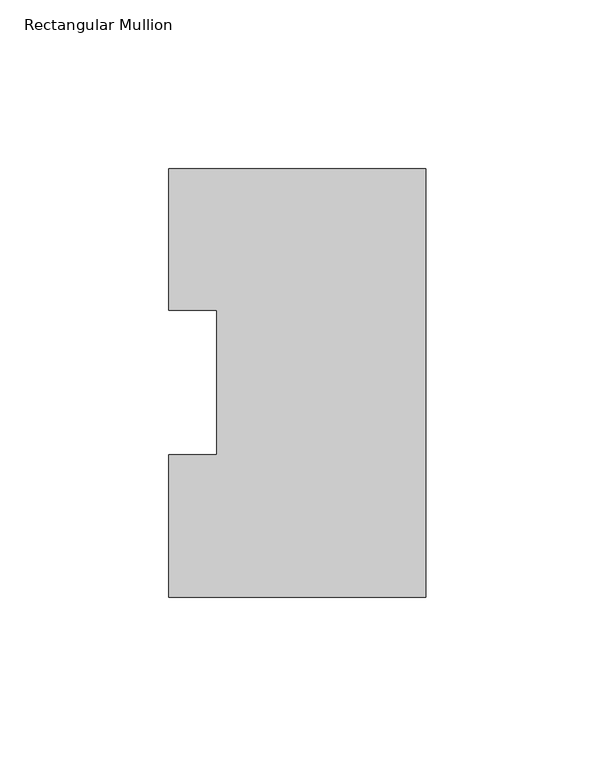
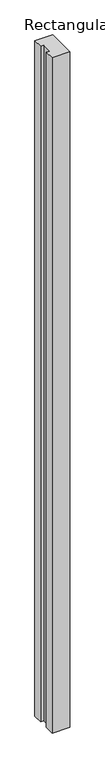
"""IFC4 building model written with IfcOpenShell, lengths in millimetres: member geometry, Rectangular Mullion."""

from ifc_helpers import new_model, si_unit, frame, origin, place, context, project, spatial, polyline, outline, extrude, source, transform, mapped, element, save


def rectangular_mullion_fa106512(model_context):
    return source(origin(), model_context, "Body", "SweptSolid", [
        extrude(outline(polyline([(0.0, 126.9888875), (0.0, -0.0111125), (-76.2, -0.0111125), (-76.2, 42.2798875), (-61.9125, 42.2798875), (-61.9125, 85.1296875), (-76.2, 85.1296875), (-76.2, 126.9888875), (0.0, 126.9888875)])), frame((0.0, 0.0, -3048.0), z_axis=(0.0, 0.0, 1.0), x_axis=(1.0, 0.0, 0.0)), (0.0, 0.0, 1.0), 3048.0),
    ])


if __name__ == "__main__":
    model = new_model("IFC4")
    model_context = context("Model", 3, world=origin())
    ifc_project = project(units=[si_unit("LENGTHUNIT", "METRE", prefix="MILLI")], contexts=[model_context])
    site = spatial("IfcSite", under=ifc_project)
    building = spatial("IfcBuilding", under=site)
    placement = place(None, origin())
    rectangular_mullion_shape = rectangular_mullion_fa106512(model_context)
    element("IfcMember", 1, ObjectType="Rectangular Mullion", at=placement, inside=building, context=model_context, shape_type="MappedRepresentation", body=[
        mapped(rectangular_mullion_shape, transform((0.0, 0.0, 0.0), x_axis=(1.0, 0.0, 0.0), y_axis=(0.0, 1.0, 0.0), z_axis=(0.0, 0.0, 1.0))),
    ])
    save(model, "model.ifc")
